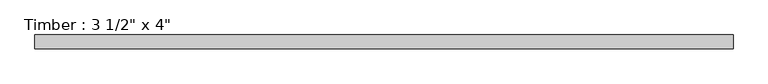
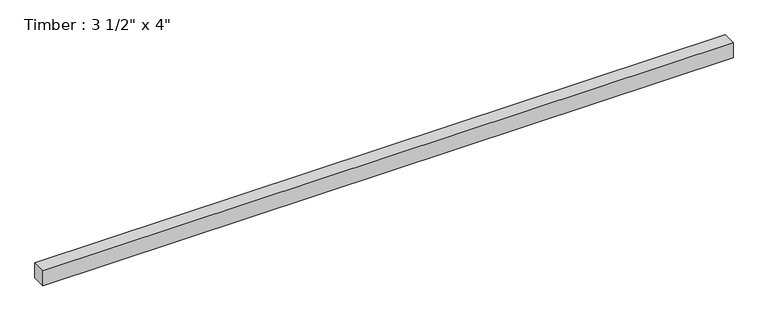
"""IFC4 building model written with IfcOpenShell, lengths in millimetres: beam geometry."""

from ifc_helpers import new_model, si_unit, frame, origin, place, context, project, spatial, polyline, outline, extrude, source, transform, mapped, element, save


def beam_ce4f8a98(model_context):
    return source(origin(), model_context, "Body", "SweptSolid", [
        extrude(outline(polyline([(2234.6208666, -44.45), (-2234.6208666, -44.45), (-2234.6208666, 44.45), (2234.6208666, 44.45), (2234.6208666, -44.45)])), frame((0.0, 0.0, -50.8), z_axis=(0.0, 0.0, 1.0), x_axis=(1.0, 0.0, 0.0)), (0.0, 0.0, 1.0), 101.6),
    ])


if __name__ == "__main__":
    model = new_model("IFC4")
    model_context = context("Model", 3, world=origin())
    ifc_project = project(units=[si_unit("LENGTHUNIT", "METRE", prefix="MILLI")], contexts=[model_context])
    site = spatial("IfcSite", under=ifc_project)
    building = spatial("IfcBuilding", under=site)
    placement = place(None, origin())
    beam_shape = beam_ce4f8a98(model_context)
    element("IfcBeam", 1, ObjectType="Timber : 3 1/2\" x 4\"", at=placement, inside=building, context=model_context, shape_type="MappedRepresentation", body=[
        mapped(beam_shape, transform((0.0, 0.0, 0.0), x_axis=(1.0, 0.0, 0.0), y_axis=(0.0, 1.0, 0.0), z_axis=(0.0, 0.0, 1.0))),
    ])
    save(model, "model.ifc")
